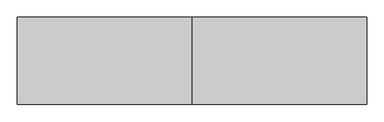
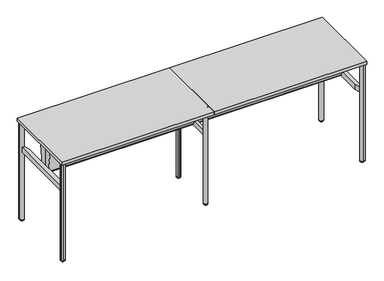
"""IFC4 building model written with IfcOpenShell, lengths in millimetres: furniture geometry."""

from ifc_helpers import new_model, si_unit, point, frame, frame_2d, origin, place, context, project, spatial, polyline, circle_curve, ellipse_curve, trimmed, segment, composite_curve, outline, extrude, source, transform, mapped, element, save
from ifc_brep_helpers import plane_surface, cylinder_surface, revolved_surface, advanced_brep


def furniture_d28b47d0(model_context):
    return source(origin(), model_context, "Body", "SolidModel", [
        extrude(outline(composite_curve([segment(polyline([(2897.7708622, -707.7123913), (2891.159378, -632.14286)]), True, "CONTINUOUS"), segment(trimmed(circle_curve(frame_2d((2910.1368868, -630.4825414)), 19.05), [point((2891.159378, -632.14286))], [point((2911.7972055, -611.5050325))], False, "CARTESIAN"), True, "CONTINUOUS"), segment(polyline([(2911.7972055, -611.5050325), (2989.4875241, -618.3020618)]), True, "CONTINUOUS"), segment(trimmed(circle_curve(frame_2d((2987.59591, -639.9232867)), 21.7038146), [point((2989.4875241, -618.3020618))], [point((3002.9428234, -624.5763711))], False, "CARTESIAN"), True, "CONTINUOUS"), segment(polyline([(3002.9428234, -624.5763711), (3018.5702956, -640.2038411)]), True, "CONTINUOUS"), segment(trimmed(circle_curve(frame_2d((2997.6053664, -661.1687734)), 29.6488894), [point((3018.5702956, -640.2038411))], [point((3027.1414328, -658.5847025))], False, "CARTESIAN"), True, "CONTINUOUS"), segment(polyline([(3027.1414328, -658.5847025), (3033.5888037, -732.278493), (3033.5888037, -750.4995351)]), True, "CONTINUOUS"), segment(trimmed(circle_curve(frame_2d((3030.1538794, -750.4995351)), 3.4349243), [point((3033.5888037, -750.4995351))], [point((3030.1538794, -753.9344594))], False, "CARTESIAN"), True, "CONTINUOUS"), segment(polyline([(3030.1538794, -753.9344594), (3011.9328449, -753.9344594), (2939.0008773, -747.5537388)]), True, "CONTINUOUS"), segment(trimmed(circle_curve(frame_2d((2941.7680722, -715.9245572)), 31.75), [point((2939.0008773, -747.5537388))], [point((2919.3174287, -738.3751943))], False, "CARTESIAN"), True, "CONTINUOUS"), segment(polyline([(2919.3174287, -738.3751943), (2905.7360666, -724.7938283)]), True, "CONTINUOUS"), segment(trimmed(circle_curve(frame_2d((2925.2189041, -705.3109963)), 27.5528892), [point((2905.7360666, -724.7938283))], [point((2897.7708622, -707.7123913))], False, "CARTESIAN"), True, "CONTINUOUS")], self_intersect=False)), frame((0.0, 0.0, 1029.2852114), z_axis=(0.0, 0.0, 1.0), x_axis=(1.0, 0.0, 0.0)), (0.0, 0.0, 1.0), 7.924807),
        extrude(outline(composite_curve([segment(trimmed(circle_curve(frame_2d((2925.2189041, -55.8736689)), 27.5528892), [point((2897.7708622, -53.4722739))], [point((2905.7360666, -36.3908369))], False, "CARTESIAN"), True, "CONTINUOUS"), segment(polyline([(2905.7360666, -36.3908369), (2919.3174287, -22.8094709)]), True, "CONTINUOUS"), segment(trimmed(circle_curve(frame_2d((2941.7680722, -45.260108)), 31.75), [point((2919.3174287, -22.8094709))], [point((2939.0008773, -13.6309264))], False, "CARTESIAN"), True, "CONTINUOUS"), segment(polyline([(2939.0008773, -13.6309264), (3011.9328449, -7.2502058), (3030.1538794, -7.2502058)]), True, "CONTINUOUS"), segment(trimmed(circle_curve(frame_2d((3030.1538794, -10.6851301)), 3.4349243), [point((3030.1538794, -7.2502058))], [point((3033.5888037, -10.6851301))], False, "CARTESIAN"), True, "CONTINUOUS"), segment(polyline([(3033.5888037, -10.6851301), (3033.5888037, -28.9061722), (3027.1414328, -102.5999627)]), True, "CONTINUOUS"), segment(trimmed(circle_curve(frame_2d((2997.6053664, -100.0158919)), 29.6488894), [point((3027.1414328, -102.5999627))], [point((3018.5702956, -120.9808241))], False, "CARTESIAN"), True, "CONTINUOUS"), segment(polyline([(3018.5702956, -120.9808241), (3002.9428234, -136.6082941)]), True, "CONTINUOUS"), segment(trimmed(circle_curve(frame_2d((2987.59591, -121.2613785)), 21.7038146), [point((3002.9428234, -136.6082941))], [point((2989.4875241, -142.8826034))], False, "CARTESIAN"), True, "CONTINUOUS"), segment(polyline([(2989.4875241, -142.8826034), (2911.7972055, -149.6796327)]), True, "CONTINUOUS"), segment(trimmed(circle_curve(frame_2d((2910.1368868, -130.7021238)), 19.05), [point((2911.7972055, -149.6796327))], [point((2891.159378, -129.0418052))], False, "CARTESIAN"), True, "CONTINUOUS"), segment(polyline([(2891.159378, -129.0418052), (2897.7708622, -53.4722739)]), True, "CONTINUOUS")], self_intersect=False)), frame((0.0, 0.0, 1029.2852114), z_axis=(0.0, 0.0, 1.0), x_axis=(1.0, 0.0, 0.0)), (0.0, 0.0, 1.0), 7.924807),
        extrude(outline(composite_curve([segment(trimmed(circle_curve(frame_2d((115.624494, -706.1263553)), 27.5528892), [point((143.0725359, -708.5277503))], [point((135.1073315, -725.6091873))], False, "CARTESIAN"), True, "CONTINUOUS"), segment(polyline([(135.1073315, -725.6091873), (121.5259694, -739.1905533)]), True, "CONTINUOUS"), segment(trimmed(circle_curve(frame_2d((99.0753259, -716.7399162)), 31.75), [point((121.5259694, -739.1905533))], [point((101.8425208, -748.3690978))], False, "CARTESIAN"), True, "CONTINUOUS"), segment(polyline([(101.8425208, -748.3690978), (28.9105532, -754.7498184), (10.6895187, -754.7498184)]), True, "CONTINUOUS"), segment(trimmed(circle_curve(frame_2d((10.6895187, -751.3148941)), 3.4349243), [point((10.6895187, -754.7498184))], [point((7.2545944, -751.3148941))], False, "CARTESIAN"), True, "CONTINUOUS"), segment(polyline([(7.2545944, -751.3148941), (7.2545944, -733.093852), (13.7019653, -659.4000615)]), True, "CONTINUOUS"), segment(trimmed(circle_curve(frame_2d((43.2380317, -661.9841324)), 29.6488894), [point((13.7019653, -659.4000615))], [point((22.2731025, -641.0192001))], False, "CARTESIAN"), True, "CONTINUOUS"), segment(polyline([(22.2731025, -641.0192001), (37.9005747, -625.3917301)]), True, "CONTINUOUS"), segment(trimmed(circle_curve(frame_2d((53.2474881, -640.7386457)), 21.7038146), [point((37.9005747, -625.3917301))], [point((51.355874, -619.1174208))], False, "CARTESIAN"), True, "CONTINUOUS"), segment(polyline([(51.355874, -619.1174208), (129.0461926, -612.3203915)]), True, "CONTINUOUS"), segment(trimmed(circle_curve(frame_2d((130.7065113, -631.2979004)), 19.05), [point((129.0461926, -612.3203915))], [point((149.6840201, -632.958219))], False, "CARTESIAN"), True, "CONTINUOUS"), segment(polyline([(149.6840201, -632.958219), (143.0725359, -708.5277503)]), True, "CONTINUOUS")], self_intersect=False)), frame((0.0, 0.0, 1029.2852114), z_axis=(0.0, 0.0, 1.0), x_axis=(1.0, 0.0, 0.0)), (0.0, 0.0, 1.0), 7.924807),
        extrude(outline(composite_curve([segment(trimmed(circle_curve(frame_2d((1563.0721112, -209.6115174)), 27.5528892), [point((1584.1788505, -191.9008635))], [point((1590.6250004, -209.6115135))], False, "CARTESIAN"), True, "CONTINUOUS"), segment(polyline([(1590.6250004, -209.6115135), (1590.6250031, -228.8184627)]), True, "CONTINUOUS"), segment(trimmed(circle_curve(frame_2d((1558.8750031, -228.8184672)), 31.75), [point((1590.6250031, -228.8184627))], [point((1583.1969142, -249.2269738))], False, "CARTESIAN"), True, "CONTINUOUS"), segment(polyline([(1583.1969142, -249.2269738), (1536.1380761, -305.3095134), (1523.2538591, -318.1937304)]), True, "CONTINUOUS"), segment(trimmed(circle_curve(frame_2d((1520.8250008, -315.7648722)), 3.4349243), [point((1523.2538591, -318.1937304))], [point((1518.3961425, -318.1937304))], False, "CARTESIAN"), True, "CONTINUOUS"), segment(polyline([(1518.3961425, -318.1937304), (1505.5119202, -305.3095081), (1457.9615208, -248.6411494)]), True, "CONTINUOUS"), segment(trimmed(circle_curve(frame_2d((1480.6738877, -229.5832105)), 29.6488894), [point((1457.9615208, -248.6411494))], [point((1451.0249983, -229.5832084))], False, "CARTESIAN"), True, "CONTINUOUS"), segment(polyline([(1451.0249983, -229.5832084), (1451.0249998, -207.4826268)]), True, "CONTINUOUS"), segment(trimmed(circle_curve(frame_2d((1472.7288144, -207.4826284)), 21.7038146), [point((1451.0249998, -207.4826268))], [point((1456.1027266, -193.5316868))], False, "CARTESIAN"), True, "CONTINUOUS"), segment(polyline([(1456.1027266, -193.5316868), (1506.2318522, -133.7901102)]), True, "CONTINUOUS"), segment(trimmed(circle_curve(frame_2d((1520.825, -146.0352128)), 19.05), [point((1506.2318522, -133.7901102))], [point((1535.4181478, -133.7901102))], False, "CARTESIAN"), True, "CONTINUOUS"), segment(polyline([(1535.4181478, -133.7901102), (1584.1788505, -191.9008635)]), True, "CONTINUOUS")], self_intersect=False)), frame((0.0, 0.0, 1029.2852114), z_axis=(0.0, 0.0, 1.0), x_axis=(1.0, 0.0, 0.0)), (0.0, 0.0, 1.0), 7.924807),
        extrude(outline(composite_curve([segment(polyline([(143.0725359, -53.4722739), (149.6840201, -129.0418052)]), True, "CONTINUOUS"), segment(trimmed(circle_curve(frame_2d((130.7065113, -130.7021238)), 19.05), [point((149.6840201, -129.0418052))], [point((129.0461926, -149.6796327))], False, "CARTESIAN"), True, "CONTINUOUS"), segment(polyline([(129.0461926, -149.6796327), (51.355874, -142.8826034)]), True, "CONTINUOUS"), segment(trimmed(circle_curve(frame_2d((53.2474881, -121.2613785)), 21.7038146), [point((51.355874, -142.8826034))], [point((37.9005747, -136.6082941))], False, "CARTESIAN"), True, "CONTINUOUS"), segment(polyline([(37.9005747, -136.6082941), (22.2731025, -120.9808241)]), True, "CONTINUOUS"), segment(trimmed(circle_curve(frame_2d((43.2380317, -100.0158919)), 29.6488894), [point((22.2731025, -120.9808241))], [point((13.7019653, -102.5999627))], False, "CARTESIAN"), True, "CONTINUOUS"), segment(polyline([(13.7019653, -102.5999627), (7.2545944, -28.9061722), (7.2545944, -10.6851301)]), True, "CONTINUOUS"), segment(trimmed(circle_curve(frame_2d((10.6895187, -10.6851301)), 3.4349243), [point((7.2545944, -10.6851301))], [point((10.6895187, -7.2502058))], False, "CARTESIAN"), True, "CONTINUOUS"), segment(polyline([(10.6895187, -7.2502058), (28.9105532, -7.2502058), (101.8425208, -13.6309264)]), True, "CONTINUOUS"), segment(trimmed(circle_curve(frame_2d((99.0753259, -45.260108)), 31.75), [point((101.8425208, -13.6309264))], [point((121.5259694, -22.8094709))], False, "CARTESIAN"), True, "CONTINUOUS"), segment(polyline([(121.5259694, -22.8094709), (135.1073315, -36.3908369)]), True, "CONTINUOUS"), segment(trimmed(circle_curve(frame_2d((115.624494, -55.8736689)), 27.5528892), [point((135.1073315, -36.3908369))], [point((143.0725359, -53.4722739))], False, "CARTESIAN"), True, "CONTINUOUS")], self_intersect=False)), frame((0.0, 0.0, 1029.2852114), z_axis=(0.0, 0.0, 1.0), x_axis=(1.0, 0.0, 0.0)), (0.0, 0.0, 1.0), 7.924807),
        extrude(outline(composite_curve([segment(polyline([(-432.2134919, 747.8937563), (-469.4420253, 1037.2100183), (-385.6970612, 1037.2100183), (-385.6970612, 779.1940903)]), True, "CONTINUOUS"), segment(trimmed(circle_curve(frame_2d((-389.0621263, 779.1940903)), 3.3650652), [point((-385.6970612, 779.1940903))], [point((-389.0621263, 775.8290251))], False, "CARTESIAN"), True, "CONTINUOUS"), segment(polyline([(-389.0621263, 775.8290251), (-405.6349521, 775.8290251)]), True, "CONTINUOUS"), segment(trimmed(circle_curve(frame_2d((-405.6349521, 772.303886)), 3.5251391), [point((-405.6349521, 775.8290251))], [point((-409.1600912, 772.303886))], True, "CARTESIAN"), True, "CONTINUOUS"), segment(polyline([(-409.1600912, 772.303886), (-409.1600912, 730.2790074), (-395.6470716, 730.2790074), (-395.6470716, 754.1790021), (-394.1470904, 754.1790021), (-394.1470904, 728.77899), (-410.4814818, 728.77899)]), True, "CONTINUOUS"), segment(trimmed(circle_curve(frame_2d((-410.4814818, 750.6901801)), 21.9111901), [point((-410.4814818, 728.77899))], [point((-432.2134919, 747.8937563))], False, "CARTESIAN"), True, "CONTINUOUS")], self_intersect=False)), frame((59.0513238, 0.0, 0.0), z_axis=(1.0, 0.0, 0.0), x_axis=(0.0, 1.0, 0.0)), (0.0, 0.0, 1.0), 2923.5474357),
        extrude(outline(composite_curve([segment(trimmed(circle_curve(frame_2d((-351.5185182, 750.6901801)), 21.9111901), [point((-329.7865081, 747.8937563))], [point((-351.5185182, 728.77899))], False, "CARTESIAN"), True, "CONTINUOUS"), segment(polyline([(-351.5185182, 728.77899), (-367.8529096, 728.77899), (-367.8529096, 754.1790021), (-366.3529284, 754.1790021), (-366.3529284, 730.2790074), (-352.8399088, 730.2790074), (-352.8399088, 772.303886)]), True, "CONTINUOUS"), segment(trimmed(circle_curve(frame_2d((-356.3650479, 772.303886)), 3.5251391), [point((-352.8399088, 772.303886))], [point((-356.3650479, 775.8290251))], True, "CARTESIAN"), True, "CONTINUOUS"), segment(polyline([(-356.3650479, 775.8290251), (-372.9378737, 775.8290251)]), True, "CONTINUOUS"), segment(trimmed(circle_curve(frame_2d((-372.9378737, 779.1940903)), 3.3650652), [point((-372.9378737, 775.8290251))], [point((-376.3029388, 779.1940903))], False, "CARTESIAN"), True, "CONTINUOUS"), segment(polyline([(-376.3029388, 779.1940903), (-376.3029388, 1037.2100183), (-292.5579747, 1037.2100183), (-329.7865081, 747.8937563)]), True, "CONTINUOUS")], self_intersect=False)), frame((59.0513238, 0.0, 0.0), z_axis=(1.0, 0.0, 0.0), x_axis=(0.0, 1.0, 0.0)), (0.0, 0.0, 1.0), 2923.5474357),
        advanced_brep(
        [(3013.6498037, -714.0564594, 15.24), (3013.6498037, -753.9344594, 15.24), (3013.6498037, -733.9954594, 15.24), (3013.6498037, -714.0564594, 12.7382497), (3013.6498037, -753.9344594, 12.7382497), (3013.6498037, -719.989777, 7.8701761), (3013.6498037, -748.0011418, 7.8701761), (3013.6498037, -719.989777, 7.0593297), (3013.6498037, -748.0011418, 7.0593297), (3013.6498037, -721.83132, 2.623811), (3013.6498037, -746.1595987, 2.623811), (3013.6498037, -724.2090351, 0.2460959), (3013.6498037, -743.7818837, 0.2460959), (3013.6498037, -725.1274776, 0.0), (3013.6498037, -742.8634411, 0.0), (3013.6498037, -733.9954594, 0.0)],
        [
            (0, 1, circle_curve(frame((3013.6498037, -733.9954594, 15.24), z_axis=(0.0, 0.0, 1.0), x_axis=(0.0, -1.0, 0.0)), 19.939)),
            (1, 2),
            (2, 0),
            (1, 0, circle_curve(frame((3013.6498037, -733.9954594, 15.24), z_axis=(0.0, 0.0, 1.0), x_axis=(0.0, -1.0, 0.0)), 19.939)),
            (3, 4, circle_curve(frame((3013.6498037, -733.9954594, 12.7382497), z_axis=(0.0, 0.0, 1.0), x_axis=(0.0, -1.0, 0.0)), 19.939)),
            (4, 1),
            (0, 3),
            (4, 3, circle_curve(frame((3013.6498037, -733.9954594, 12.7382497), z_axis=(0.0, 0.0, 1.0), x_axis=(0.0, -1.0, 0.0)), 19.939)),
            (5, 6, circle_curve(frame((3013.6498037, -733.9954594, 7.8701761), z_axis=(0.0, 0.0, 1.0), x_axis=(0.0, -1.0, 0.0)), 14.0056824)),
            (6, 4, circle_curve(frame((3013.6498037, -748.970761, 12.7382497), z_axis=(-1.0, 0.0, 0.0), x_axis=(0.0, -1.0, 0.0)), 4.9636984)),
            (3, 5, circle_curve(frame((3013.6498037, -719.0201577, 12.7382497), z_axis=(-1.0, 0.0, 0.0), x_axis=(0.0, 1.0, 0.0)), 4.9636984)),
            (6, 5, circle_curve(frame((3013.6498037, -733.9954594, 7.8701761), z_axis=(0.0, 0.0, 1.0), x_axis=(0.0, -1.0, 0.0)), 14.0056824)),
            (7, 8, circle_curve(frame((3013.6498037, -733.9954594, 7.0593297), z_axis=(0.0, 0.0, 1.0), x_axis=(0.0, -1.0, 0.0)), 14.0056824)),
            (8, 6),
            (5, 7),
            (8, 7, circle_curve(frame((3013.6498037, -733.9954594, 7.0593297), z_axis=(0.0, 0.0, 1.0), x_axis=(0.0, -1.0, 0.0)), 14.0056824)),
            (9, 10, circle_curve(frame((3013.6498037, -733.9954594, 2.623811), z_axis=(0.0, 0.0, 1.0), x_axis=(0.0, -1.0, 0.0)), 12.1641393)),
            (10, 8),
            (7, 9),
            (10, 9, circle_curve(frame((3013.6498037, -733.9954594, 2.623811), z_axis=(0.0, 0.0, 1.0), x_axis=(0.0, -1.0, 0.0)), 12.1641393)),
            (11, 12, circle_curve(frame((3013.6498037, -733.9954594, 0.2460959), z_axis=(0.0, 0.0, 1.0), x_axis=(0.0, -1.0, 0.0)), 9.7864243)),
            (12, 10),
            (9, 11),
            (12, 11, circle_curve(frame((3013.6498037, -733.9954594, 0.2460959), z_axis=(0.0, 0.0, 1.0), x_axis=(0.0, -1.0, 0.0)), 9.7864243)),
            (13, 14, circle_curve(frame((3013.6498037, -733.9954594, 0.0), z_axis=(0.0, 0.0, 1.0), x_axis=(0.0, -1.0, 0.0)), 8.8679818)),
            (14, 12),
            (11, 13),
            (14, 13, circle_curve(frame((3013.6498037, -733.9954594, 0.0), z_axis=(0.0, 0.0, 1.0), x_axis=(0.0, -1.0, 0.0)), 8.8679818)),
            (15, 14),
            (13, 15),
        ],
        [
            plane_surface(frame((3013.6498037, -733.9954594, 15.24), z_axis=(0.0, 0.0, 1.0), x_axis=(0.0, -1.0, 0.0))),
            cylinder_surface(frame((3013.6498037, -733.9954594, 53.34), z_axis=(0.0, 0.0, -1.0), x_axis=(0.0, -1.0, 0.0)), 19.939),
            revolved_surface(trimmed(ellipse_curve(frame((3013.6498037, -748.970761, 12.7382497), z_axis=(1.0, 0.0, 0.0), x_axis=(0.0, -1.0, 0.0)), 4.9636984, 4.9636984), [point((3013.6498037, -753.9344594, 12.7382497))], [point((3013.6498037, -748.0011418, 7.8701761))], True, "CARTESIAN"), (3013.6498037, -733.9954594, 53.34), (0.0, 0.0, -1.0)),
            cylinder_surface(frame((3013.6498037, -733.9954594, 53.34), z_axis=(0.0, 0.0, -1.0), x_axis=(0.0, -1.0, 0.0)), 14.0056824),
            revolved_surface(polyline([(3013.6498037, -748.0011418, 7.0593297), (3013.6498037, -746.1595987, 2.623811)]), (3013.6498037, -733.9954594, 53.34), (0.0, 0.0, -1.0)),
            revolved_surface(polyline([(3013.6498037, -746.1595987, 2.623811), (3013.6498037, -743.7818837, 0.2460959)]), (3013.6498037, -733.9954594, 53.34), (0.0, 0.0, -1.0)),
            revolved_surface(polyline([(3013.6498037, -743.7818837, 0.2460959), (3013.6498037, -742.8634411, 0.0)]), (3013.6498037, -733.9954594, 53.34), (0.0, 0.0, -1.0)),
            plane_surface(frame((3013.6498037, -733.9954594, 0.0), z_axis=(0.0, 0.0, -1.0), x_axis=(0.0, -1.0, 0.0))),
        ],
        [
            (0, [[1, 2, 3]]),
            (0, [[4, -3, -2]]),
            (1, [[5, 6, -1, 7]]),
            (1, [[8, -7, -4, -6]]),
            (2, [[9, 10, -5, 11]]),
            (2, [[12, -11, -8, -10]]),
            (3, [[13, 14, -9, 15]]),
            (3, [[16, -15, -12, -14]]),
            (4, [[17, 18, -13, 19]]),
            (4, [[20, -19, -16, -18]]),
            (5, [[21, 22, -17, 23]]),
            (5, [[24, -23, -20, -22]]),
            (6, [[25, 26, -21, 27]]),
            (6, [[28, -27, -24, -26]]),
            (7, [[29, -25, 30]]),
            (7, [[-30, -28, -29]]),
        ],
    ),
        advanced_brep(
        [(3033.6532523, -27.9300781, 15.24), (2993.6463551, -27.9300781, 15.24), (3013.6498037, -27.9300781, 15.24), (3033.6532523, -27.9300781, 12.413529), (2993.6463551, -27.9300781, 12.413529), (3029.1631242, -27.9300781, 7.9234009), (2998.1364831, -27.9300781, 7.9234009), (3027.6996489, -27.9300781, 7.9234009), (2999.5999584, -27.9300781, 7.9234009), (3027.6996489, -27.9300781, 7.0593297), (2999.5999584, -27.9300781, 7.0593297), (3025.8417297, -27.9300781, 2.623811), (3001.4578777, -27.9300781, 2.623811), (3023.4640146, -27.9300781, 0.2460959), (3003.8355927, -27.9300781, 0.2460959), (3022.5455721, -27.9300781, 0.0), (3004.7540352, -27.9300781, 0.0), (3013.6498037, -27.9300781, 0.0)],
        [
            (0, 1, circle_curve(frame((3013.6498037, -27.9300781, 15.24), z_axis=(0.0, 0.0, 1.0), x_axis=(-1.0, 0.0, 0.0)), 20.0034486)),
            (1, 2),
            (2, 0),
            (1, 0, circle_curve(frame((3013.6498037, -27.9300781, 15.24), z_axis=(0.0, 0.0, 1.0), x_axis=(-1.0, 0.0, 0.0)), 20.0034486)),
            (3, 4, circle_curve(frame((3013.6498037, -27.9300781, 12.413529), z_axis=(0.0, 0.0, 1.0), x_axis=(-1.0, 0.0, 0.0)), 20.0034486)),
            (4, 1),
            (0, 3),
            (4, 3, circle_curve(frame((3013.6498037, -27.9300781, 12.413529), z_axis=(0.0, 0.0, 1.0), x_axis=(-1.0, 0.0, 0.0)), 20.0034486)),
            (5, 6, circle_curve(frame((3013.6498037, -27.9300781, 7.9234009), z_axis=(0.0, 0.0, 1.0), x_axis=(-1.0, 0.0, 0.0)), 15.5133205)),
            (6, 4, circle_curve(frame((2998.1364831, -27.9300781, 12.413529), z_axis=(0.0, 1.0, 0.0), x_axis=(1.0, 0.0, 0.0)), 4.4901281)),
            (3, 5, circle_curve(frame((3029.1631242, -27.9300781, 12.413529), z_axis=(0.0, 1.0, 0.0), x_axis=(-1.0, 0.0, 0.0)), 4.4901281)),
            (6, 5, circle_curve(frame((3013.6498037, -27.9300781, 7.9234009), z_axis=(0.0, 0.0, 1.0), x_axis=(-1.0, 0.0, 0.0)), 15.5133205)),
            (7, 8, circle_curve(frame((3013.6498037, -27.9300781, 7.9234009), z_axis=(0.0, 0.0, 1.0), x_axis=(-1.0, 0.0, 0.0)), 14.0498452)),
            (8, 6),
            (5, 7),
            (8, 7, circle_curve(frame((3013.6498037, -27.9300781, 7.9234009), z_axis=(0.0, 0.0, 1.0), x_axis=(-1.0, 0.0, 0.0)), 14.0498452)),
            (9, 10, circle_curve(frame((3013.6498037, -27.9300781, 7.0593297), z_axis=(0.0, 0.0, 1.0), x_axis=(-1.0, 0.0, 0.0)), 14.0498452)),
            (10, 8),
            (7, 9),
            (10, 9, circle_curve(frame((3013.6498037, -27.9300781, 7.0593297), z_axis=(0.0, 0.0, 1.0), x_axis=(-1.0, 0.0, 0.0)), 14.0498452)),
            (11, 12, circle_curve(frame((3013.6498037, -27.9300781, 2.623811), z_axis=(0.0, 0.0, 1.0), x_axis=(-1.0, 0.0, 0.0)), 12.191926)),
            (12, 10),
            (9, 11),
            (12, 11, circle_curve(frame((3013.6498037, -27.9300781, 2.623811), z_axis=(0.0, 0.0, 1.0), x_axis=(-1.0, 0.0, 0.0)), 12.191926)),
            (13, 14, circle_curve(frame((3013.6498037, -27.9300781, 0.2460959), z_axis=(0.0, 0.0, 1.0), x_axis=(-1.0, 0.0, 0.0)), 9.814211)),
            (14, 12),
            (11, 13),
            (14, 13, circle_curve(frame((3013.6498037, -27.9300781, 0.2460959), z_axis=(0.0, 0.0, 1.0), x_axis=(-1.0, 0.0, 0.0)), 9.814211)),
            (15, 16, circle_curve(frame((3013.6498037, -27.9300781, 0.0), z_axis=(0.0, 0.0, 1.0), x_axis=(-1.0, 0.0, 0.0)), 8.8957684)),
            (16, 14),
            (13, 15),
            (16, 15, circle_curve(frame((3013.6498037, -27.9300781, 0.0), z_axis=(0.0, 0.0, 1.0), x_axis=(-1.0, 0.0, 0.0)), 8.8957684)),
            (17, 16),
            (15, 17),
        ],
        [
            plane_surface(frame((3013.6498037, -27.9300781, 15.24), z_axis=(0.0, 0.0, 1.0), x_axis=(-1.0, 0.0, 0.0))),
            cylinder_surface(frame((3013.6498037, -27.9300781, 56.1592175), z_axis=(0.0, 0.0, -1.0), x_axis=(-1.0, 0.0, 0.0)), 20.0034486),
            revolved_surface(trimmed(ellipse_curve(frame((2998.1364831, -27.9300781, 12.413529), z_axis=(0.0, -1.0, 0.0), x_axis=(1.0, 0.0, 0.0)), 4.4901281, 4.4901281), [point((2993.6463551, -27.9300781, 12.413529))], [point((2998.1364831, -27.9300781, 7.9234009))], True, "CARTESIAN"), (3013.6498037, -27.9300781, 56.1592175), (0.0, 0.0, -1.0)),
            plane_surface(frame((3013.6498037, -27.9300781, 7.9234009), z_axis=(0.0, 0.0, -1.0), x_axis=(-1.0, 0.0, 0.0))),
            cylinder_surface(frame((3013.6498037, -27.9300781, 56.1592175), z_axis=(0.0, 0.0, -1.0), x_axis=(-1.0, 0.0, 0.0)), 14.0498452),
            revolved_surface(polyline([(2999.5999584, -27.9300781, 7.0593297), (3001.4578777, -27.9300781, 2.623811)]), (3013.6498037, -27.9300781, 56.1592175), (0.0, 0.0, -1.0)),
            revolved_surface(polyline([(3001.4578777, -27.9300781, 2.623811), (3003.8355927, -27.9300781, 0.2460959)]), (3013.6498037, -27.9300781, 56.1592175), (0.0, 0.0, -1.0)),
            revolved_surface(polyline([(3003.8355927, -27.9300781, 0.2460959), (3004.7540352, -27.9300781, 0.0)]), (3013.6498037, -27.9300781, 56.1592175), (0.0, 0.0, -1.0)),
            plane_surface(frame((3013.6498037, -27.9300781, 0.0), z_axis=(0.0, 0.0, -1.0), x_axis=(-1.0, 0.0, 0.0))),
        ],
        [
            (0, [[1, 2, 3]]),
            (0, [[4, -3, -2]]),
            (1, [[5, 6, -1, 7]]),
            (1, [[8, -7, -4, -6]]),
            (2, [[9, 10, -5, 11]]),
            (2, [[12, -11, -8, -10]]),
            (3, [[13, 14, -9, 15]]),
            (3, [[16, -15, -12, -14]]),
            (4, [[17, 18, -13, 19]]),
            (4, [[20, -19, -16, -18]]),
            (5, [[21, 22, -17, 23]]),
            (5, [[24, -23, -20, -22]]),
            (6, [[25, 26, -21, 27]]),
            (6, [[28, -27, -24, -26]]),
            (7, [[29, 30, -25, 31]]),
            (7, [[32, -31, -28, -30]]),
            (8, [[33, -29, 34]]),
            (8, [[-34, -32, -33]]),
        ],
    ),
        extrude(outline(polyline([(1508.3408516, -146.0352128), (1533.7409, -146.0352128), (1533.7409, -615.9648008), (1508.3408516, -615.9648008), (1508.3408516, -146.0352128)])), frame((0.0, 0.0, 732.4100183), z_axis=(0.0, 0.0, 1.0), x_axis=(1.0, 0.0, 0.0)), (0.0, 0.0, 1.0), 50.8),
        extrude(outline(polyline([(3020.6928487, -47.9435406), (3020.6928487, -714.0564594), (2995.0915101, -714.0564594), (2982.5987595, -658.5971286), (2982.5987595, -103.4028714), (2995.0915101, -47.9435406), (3020.6928487, -47.9435406)])), frame((0.0, 0.0, 732.4100183), z_axis=(0.0, 0.0, 1.0), x_axis=(1.0, 0.0, 0.0)), (0.0, 0.0, 1.0), 50.8),
        extrude(outline(composite_curve([segment(trimmed(circle_curve(frame_2d((3013.6498037, -733.9954594)), 19.939), [point((3013.6498037, -753.9344594))], [point((3033.5888037, -733.9954594))], False, "CARTESIAN"), True, "CONTINUOUS"), segment(polyline([(3033.5888037, -733.9954594), (3033.5888037, -753.9344594), (3013.6498037, -753.9344594)]), True, "CONTINUOUS")], self_intersect=False)), frame((0.0, 0.0, 15.24), z_axis=(0.0, 0.0, 1.0), x_axis=(1.0, 0.0, 0.0)), (0.0, 0.0, 1.0), 1021.9700183),
        extrude(outline(composite_curve([segment(polyline([(3013.6498037, -8.0612031), (3030.7832949, -8.0612031)]), True, "CONTINUOUS"), segment(trimmed(circle_curve(frame_2d((3030.7832949, -10.8667119)), 2.8055087), [point((3030.7832949, -8.0612031))], [point((3033.5888037, -10.8667119))], False, "CARTESIAN"), True, "CONTINUOUS"), segment(polyline([(3033.5888037, -10.8667119), (3033.5888037, -28.0002031)]), True, "CONTINUOUS"), segment(trimmed(circle_curve(frame_2d((3013.6498037, -28.0002031)), 19.939), [point((3033.5888037, -28.0002031))], [point((3013.6498037, -8.0612031))], False, "CARTESIAN"), True, "CONTINUOUS")], self_intersect=False)), frame((0.0, 0.0, 15.24), z_axis=(0.0, 0.0, 1.0), x_axis=(1.0, 0.0, 0.0)), (0.0, 0.0, 1.0), 1021.9700183),
        extrude(outline(polyline([(3041.65, -762.0), (1520.825, -762.0), (1520.825, 0.0), (3041.65, 0.0), (3041.65, -762.0)])), frame((0.0, 0.0, 1037.2100183), z_axis=(0.0, 0.0, 1.0), x_axis=(1.0, 0.0, 0.0)), (0.0, 0.0, 1.0), 29.5899817),
        extrude(outline(polyline([(20.9540966, -47.9435406), (46.6393008, -47.9435406), (59.0513238, -103.4026871), (59.0513238, -658.5973129), (46.6393008, -714.0564594), (20.9540966, -714.0564594), (20.9540966, -47.9435406)])), frame((0.0, 0.0, 732.4100183), z_axis=(0.0, 0.0, 1.0), x_axis=(1.0, 0.0, 0.0)), (0.0, 0.0, 1.0), 50.8),
        advanced_brep(
        [(1520.825, -596.34636, 12.8144714), (1520.825, -636.2976838, 12.8144714), (1520.825, -631.3533885, 7.8701761), (1520.825, -601.2906553, 7.8701761), (1520.825, -630.3277043, 7.8701761), (1520.825, -602.3163395, 7.8701761), (1520.825, -630.3277043, 7.0593297), (1520.825, -602.3163395, 7.0593297), (1520.825, -628.4861612, 2.623811), (1520.825, -604.1578825, 2.623811), (1520.825, -626.1084462, 0.2460959), (1520.825, -606.5355976, 0.2460959), (1520.825, -625.1900036, 0.0), (1520.825, -607.4540401, 0.0), (1520.825, -616.3220219, 0.0), (1520.825, -616.3220219, 15.24), (1520.825, -636.2976838, 15.24), (1520.825, -596.34636, 15.24)],
        [
            (0, 1, circle_curve(frame((1520.825, -616.3220219, 12.8144714), z_axis=(0.0, 0.0, -1.0), x_axis=(0.0, -1.0, 0.0)), 19.9756619)),
            (1, 2, circle_curve(frame((1520.825, -631.3533885, 12.8144714), z_axis=(1.0, 0.0, 0.0), x_axis=(0.0, 1.0, 0.0)), 4.9442953)),
            (2, 3, circle_curve(frame((1520.825, -616.3220219, 7.8701761), z_axis=(0.0, 0.0, 1.0), x_axis=(0.0, -1.0, 0.0)), 15.0313666)),
            (3, 0, circle_curve(frame((1520.825, -601.2906553, 12.8144714), z_axis=(1.0, 0.0, 0.0), x_axis=(0.0, -1.0, 0.0)), 4.9442953)),
            (1, 0, circle_curve(frame((1520.825, -616.3220219, 12.8144714), z_axis=(0.0, 0.0, -1.0), x_axis=(0.0, -1.0, 0.0)), 19.9756619)),
            (3, 2, circle_curve(frame((1520.825, -616.3220219, 7.8701761), z_axis=(0.0, 0.0, 1.0), x_axis=(0.0, -1.0, 0.0)), 15.0313666)),
            (2, 4),
            (4, 5, circle_curve(frame((1520.825, -616.3220219, 7.8701761), z_axis=(0.0, 0.0, 1.0), x_axis=(0.0, -1.0, 0.0)), 14.0056824)),
            (5, 3),
            (5, 4, circle_curve(frame((1520.825, -616.3220219, 7.8701761), z_axis=(0.0, 0.0, 1.0), x_axis=(0.0, -1.0, 0.0)), 14.0056824)),
            (4, 6),
            (6, 7, circle_curve(frame((1520.825, -616.3220219, 7.0593297), z_axis=(0.0, 0.0, 1.0), x_axis=(0.0, -1.0, 0.0)), 14.0056824)),
            (7, 5),
            (7, 6, circle_curve(frame((1520.825, -616.3220219, 7.0593297), z_axis=(0.0, 0.0, 1.0), x_axis=(0.0, -1.0, 0.0)), 14.0056824)),
            (6, 8),
            (8, 9, circle_curve(frame((1520.825, -616.3220219, 2.623811), z_axis=(0.0, 0.0, 1.0), x_axis=(0.0, -1.0, 0.0)), 12.1641393)),
            (9, 7),
            (9, 8, circle_curve(frame((1520.825, -616.3220219, 2.623811), z_axis=(0.0, 0.0, 1.0), x_axis=(0.0, -1.0, 0.0)), 12.1641393)),
            (8, 10),
            (10, 11, circle_curve(frame((1520.825, -616.3220219, 0.2460959), z_axis=(0.0, 0.0, 1.0), x_axis=(0.0, -1.0, 0.0)), 9.7864243)),
            (11, 9),
            (11, 10, circle_curve(frame((1520.825, -616.3220219, 0.2460959), z_axis=(0.0, 0.0, 1.0), x_axis=(0.0, -1.0, 0.0)), 9.7864243)),
            (10, 12),
            (12, 13, circle_curve(frame((1520.825, -616.3220219, 0.0), z_axis=(0.0, 0.0, 1.0), x_axis=(0.0, -1.0, 0.0)), 8.8679818)),
            (13, 11),
            (13, 12, circle_curve(frame((1520.825, -616.3220219, 0.0), z_axis=(0.0, 0.0, 1.0), x_axis=(0.0, -1.0, 0.0)), 8.8679818)),
            (12, 14),
            (14, 13),
            (15, 16),
            (16, 17, circle_curve(frame((1520.825, -616.3220219, 15.24), z_axis=(0.0, 0.0, 1.0), x_axis=(0.0, -1.0, 0.0)), 19.9756619)),
            (17, 15),
            (17, 16, circle_curve(frame((1520.825, -616.3220219, 15.24), z_axis=(0.0, 0.0, 1.0), x_axis=(0.0, -1.0, 0.0)), 19.9756619)),
            (16, 1),
            (0, 17),
        ],
        [
            revolved_surface(trimmed(ellipse_curve(frame((1520.825, -631.3533885, 12.8144714), z_axis=(-1.0, 0.0, 0.0), x_axis=(0.0, 1.0, 0.0)), 4.9442953, 4.9442953), [point((1520.825, -631.3533885, 7.8701761))], [point((1520.825, -636.2976838, 12.8144714))], True, "CARTESIAN"), (1520.825, -616.3220219, 40.64), (0.0, 0.0, 1.0)),
            plane_surface(frame((1520.825, -616.3220219, 7.8701761), z_axis=(0.0, 0.0, -1.0), x_axis=(0.0, -1.0, 0.0))),
            cylinder_surface(frame((1520.825, -616.3220219, 40.64), z_axis=(0.0, 0.0, 1.0), x_axis=(0.0, -1.0, 0.0)), 14.0056824),
            revolved_surface(polyline([(1520.825, -628.4861612, 2.623811), (1520.825, -630.3277043, 7.0593297)]), (1520.825, -616.3220219, 40.64), (0.0, 0.0, 1.0)),
            revolved_surface(polyline([(1520.825, -626.1084462, 0.2460959), (1520.825, -628.4861612, 2.623811)]), (1520.825, -616.3220219, 40.64), (0.0, 0.0, 1.0)),
            revolved_surface(polyline([(1520.825, -625.1900036, 0.0), (1520.825, -626.1084462, 0.2460959)]), (1520.825, -616.3220219, 40.64), (0.0, 0.0, 1.0)),
            plane_surface(frame((1520.825, -616.3220219, 0.0), z_axis=(0.0, 0.0, -1.0), x_axis=(0.0, -1.0, 0.0))),
            plane_surface(frame((1520.825, -616.3220219, 15.24), z_axis=(0.0, 0.0, 1.0), x_axis=(0.0, -1.0, 0.0))),
            cylinder_surface(frame((1520.825, -616.3220219, 40.64), z_axis=(0.0, 0.0, 1.0), x_axis=(0.0, -1.0, 0.0)), 19.9756619),
        ],
        [
            (0, [[1, 2, 3, 4]]),
            (0, [[5, -4, 6, -2]]),
            (1, [[-3, 7, 8, 9]]),
            (1, [[-6, -9, 10, -7]]),
            (2, [[-8, 11, 12, 13]]),
            (2, [[-10, -13, 14, -11]]),
            (3, [[-12, 15, 16, 17]]),
            (3, [[-14, -17, 18, -15]]),
            (4, [[-16, 19, 20, 21]]),
            (4, [[-18, -21, 22, -19]]),
            (5, [[-20, 23, 24, 25]]),
            (5, [[-22, -25, 26, -23]]),
            (6, [[-24, 27, 28]]),
            (6, [[-26, -28, -27]]),
            (7, [[29, 30, 31]]),
            (7, [[-31, 32, -29]]),
            (8, [[-30, 33, -1, 34]]),
            (8, [[-32, -34, -5, -33]]),
        ],
    ),
        advanced_brep(
        [(27.9796875, -718.9640928, 7.8701761), (27.9796875, -749.026826, 7.8701761), (27.9796875, -753.9711213, 12.8144714), (27.9796875, -714.0197975, 12.8144714), (27.9796875, -719.989777, 7.8701761), (27.9796875, -748.0011418, 7.8701761), (27.9796875, -719.989777, 7.0593297), (27.9796875, -748.0011418, 7.0593297), (27.9796875, -721.83132, 2.623811), (27.9796875, -746.1595987, 2.623811), (27.9796875, -724.2090351, 0.2460959), (27.9796875, -743.7818837, 0.2460959), (27.9796875, -725.1274776, 0.0), (27.9796875, -742.8634411, 0.0), (27.9796875, -733.9954594, 0.0), (27.9796875, -714.0197975, 15.24), (27.9796875, -753.9711213, 15.24), (27.9796875, -733.9954594, 15.24)],
        [
            (0, 1, circle_curve(frame((27.9796875, -733.9954594, 7.8701761), z_axis=(0.0, 0.0, 1.0), x_axis=(0.0, -1.0, 0.0)), 15.0313666)),
            (1, 2, circle_curve(frame((27.9796875, -749.026826, 12.8144714), z_axis=(-1.0, 0.0, 0.0), x_axis=(0.0, 1.0, 0.0)), 4.9442953)),
            (2, 3, circle_curve(frame((27.9796875, -733.9954594, 12.8144714), z_axis=(0.0, 0.0, -1.0), x_axis=(0.0, -1.0, 0.0)), 19.9756619)),
            (3, 0, circle_curve(frame((27.9796875, -718.9640928, 12.8144714), z_axis=(-1.0, 0.0, 0.0), x_axis=(0.0, -1.0, 0.0)), 4.9442953)),
            (1, 0, circle_curve(frame((27.9796875, -733.9954594, 7.8701761), z_axis=(0.0, 0.0, 1.0), x_axis=(0.0, -1.0, 0.0)), 15.0313666)),
            (3, 2, circle_curve(frame((27.9796875, -733.9954594, 12.8144714), z_axis=(0.0, 0.0, -1.0), x_axis=(0.0, -1.0, 0.0)), 19.9756619)),
            (4, 5, circle_curve(frame((27.9796875, -733.9954594, 7.8701761), z_axis=(0.0, 0.0, 1.0), x_axis=(0.0, -1.0, 0.0)), 14.0056824)),
            (5, 1),
            (0, 4),
            (5, 4, circle_curve(frame((27.9796875, -733.9954594, 7.8701761), z_axis=(0.0, 0.0, 1.0), x_axis=(0.0, -1.0, 0.0)), 14.0056824)),
            (6, 7, circle_curve(frame((27.9796875, -733.9954594, 7.0593297), z_axis=(0.0, 0.0, 1.0), x_axis=(0.0, -1.0, 0.0)), 14.0056824)),
            (7, 5),
            (4, 6),
            (7, 6, circle_curve(frame((27.9796875, -733.9954594, 7.0593297), z_axis=(0.0, 0.0, 1.0), x_axis=(0.0, -1.0, 0.0)), 14.0056824)),
            (8, 9, circle_curve(frame((27.9796875, -733.9954594, 2.623811), z_axis=(0.0, 0.0, 1.0), x_axis=(0.0, -1.0, 0.0)), 12.1641393)),
            (9, 7),
            (6, 8),
            (9, 8, circle_curve(frame((27.9796875, -733.9954594, 2.623811), z_axis=(0.0, 0.0, 1.0), x_axis=(0.0, -1.0, 0.0)), 12.1641393)),
            (10, 11, circle_curve(frame((27.9796875, -733.9954594, 0.2460959), z_axis=(0.0, 0.0, 1.0), x_axis=(0.0, -1.0, 0.0)), 9.7864243)),
            (11, 9),
            (8, 10),
            (11, 10, circle_curve(frame((27.9796875, -733.9954594, 0.2460959), z_axis=(0.0, 0.0, 1.0), x_axis=(0.0, -1.0, 0.0)), 9.7864243)),
            (12, 13, circle_curve(frame((27.9796875, -733.9954594, 0.0), z_axis=(0.0, 0.0, 1.0), x_axis=(0.0, -1.0, 0.0)), 8.8679818)),
            (13, 11),
            (10, 12),
            (13, 12, circle_curve(frame((27.9796875, -733.9954594, 0.0), z_axis=(0.0, 0.0, 1.0), x_axis=(0.0, -1.0, 0.0)), 8.8679818)),
            (14, 13),
            (12, 14),
            (15, 16, circle_curve(frame((27.9796875, -733.9954594, 15.24), z_axis=(0.0, 0.0, 1.0), x_axis=(0.0, -1.0, 0.0)), 19.9756619)),
            (16, 17),
            (17, 15),
            (16, 15, circle_curve(frame((27.9796875, -733.9954594, 15.24), z_axis=(0.0, 0.0, 1.0), x_axis=(0.0, -1.0, 0.0)), 19.9756619)),
            (2, 16),
            (15, 3),
        ],
        [
            revolved_surface(trimmed(ellipse_curve(frame((27.9796875, -749.026826, 12.8144714), z_axis=(1.0, 0.0, 0.0), x_axis=(0.0, 1.0, 0.0)), 4.9442953, 4.9442953), [point((27.9796875, -753.9711213, 12.8144714))], [point((27.9796875, -749.026826, 7.8701761))], True, "CARTESIAN"), (27.9796875, -733.9954594, 40.64), (0.0, 0.0, -1.0)),
            plane_surface(frame((27.9796875, -733.9954594, 7.8701761), z_axis=(0.0, 0.0, -1.0), x_axis=(0.0, -1.0, 0.0))),
            cylinder_surface(frame((27.9796875, -733.9954594, 40.64), z_axis=(0.0, 0.0, -1.0), x_axis=(0.0, -1.0, 0.0)), 14.0056824),
            revolved_surface(polyline([(27.9796875, -748.0011418, 7.0593297), (27.9796875, -746.1595987, 2.623811)]), (27.9796875, -733.9954594, 40.64), (0.0, 0.0, -1.0)),
            revolved_surface(polyline([(27.9796875, -746.1595987, 2.623811), (27.9796875, -743.7818837, 0.2460959)]), (27.9796875, -733.9954594, 40.64), (0.0, 0.0, -1.0)),
            revolved_surface(polyline([(27.9796875, -743.7818837, 0.2460959), (27.9796875, -742.8634411, 0.0)]), (27.9796875, -733.9954594, 40.64), (0.0, 0.0, -1.0)),
            plane_surface(frame((27.9796875, -733.9954594, 0.0), z_axis=(0.0, 0.0, -1.0), x_axis=(0.0, -1.0, 0.0))),
            plane_surface(frame((27.9796875, -733.9954594, 15.24), z_axis=(0.0, 0.0, 1.0), x_axis=(0.0, -1.0, 0.0))),
            cylinder_surface(frame((27.9796875, -733.9954594, 40.64), z_axis=(0.0, 0.0, -1.0), x_axis=(0.0, -1.0, 0.0)), 19.9756619),
        ],
        [
            (0, [[1, 2, 3, 4]]),
            (0, [[5, -4, 6, -2]]),
            (1, [[7, 8, -1, 9]]),
            (1, [[10, -9, -5, -8]]),
            (2, [[11, 12, -7, 13]]),
            (2, [[14, -13, -10, -12]]),
            (3, [[15, 16, -11, 17]]),
            (3, [[18, -17, -14, -16]]),
            (4, [[19, 20, -15, 21]]),
            (4, [[22, -21, -18, -20]]),
            (5, [[23, 24, -19, 25]]),
            (5, [[26, -25, -22, -24]]),
            (6, [[27, -23, 28]]),
            (6, [[-28, -26, -27]]),
            (7, [[29, 30, 31]]),
            (7, [[32, -31, -30]]),
            (8, [[-3, 33, -29, 34]]),
            (8, [[-6, -34, -32, -33]]),
        ],
    ),
        advanced_brep(
        [(1500.8122121, -145.4050781, 12.7759073), (1540.8129999, -145.4050781, 12.7759073), (1535.9072687, -145.4050781, 7.8701761), (1505.7179432, -145.4050781, 7.8701761), (1534.8842433, -145.4050781, 7.8701761), (1506.7409686, -145.4050781, 7.8701761), (1534.8842433, -145.4050781, 7.0593297), (1506.7409686, -145.4050781, 7.0593297), (1533.0014773, -145.4050781, 2.623811), (1508.6237346, -145.4050781, 2.623811), (1530.6237623, -145.4050781, 0.2460959), (1511.0014497, -145.4050781, 0.2460959), (1529.7053198, -145.4050781, 0.0), (1511.9198922, -145.4050781, 0.0), (1520.812606, -145.4050781, 0.0), (1520.812606, -145.4050781, 15.24), (1540.8129999, -145.4050781, 15.24), (1500.8122121, -145.4050781, 15.24)],
        [
            (0, 1, circle_curve(frame((1520.812606, -145.4050781, 12.7759073), z_axis=(0.0, 0.0, -1.0), x_axis=(1.0, 0.0, 0.0)), 20.0003939)),
            (1, 2, circle_curve(frame((1535.9072687, -145.4050781, 12.7759073), z_axis=(0.0, 1.0, 0.0), x_axis=(-1.0, 0.0, 0.0)), 4.9057312)),
            (2, 3, circle_curve(frame((1520.812606, -145.4050781, 7.8701761), z_axis=(0.0, 0.0, 1.0), x_axis=(1.0, 0.0, 0.0)), 15.0946628)),
            (3, 0, circle_curve(frame((1505.7179432, -145.4050781, 12.7759073), z_axis=(0.0, 1.0, 0.0), x_axis=(1.0, 0.0, 0.0)), 4.9057312)),
            (1, 0, circle_curve(frame((1520.812606, -145.4050781, 12.7759073), z_axis=(0.0, 0.0, -1.0), x_axis=(1.0, 0.0, 0.0)), 20.0003939)),
            (3, 2, circle_curve(frame((1520.812606, -145.4050781, 7.8701761), z_axis=(0.0, 0.0, 1.0), x_axis=(1.0, 0.0, 0.0)), 15.0946628)),
            (2, 4),
            (4, 5, circle_curve(frame((1520.812606, -145.4050781, 7.8701761), z_axis=(0.0, 0.0, 1.0), x_axis=(1.0, 0.0, 0.0)), 14.0716373)),
            (5, 3),
            (5, 4, circle_curve(frame((1520.812606, -145.4050781, 7.8701761), z_axis=(0.0, 0.0, 1.0), x_axis=(1.0, 0.0, 0.0)), 14.0716373)),
            (4, 6),
            (6, 7, circle_curve(frame((1520.812606, -145.4050781, 7.0593297), z_axis=(0.0, 0.0, 1.0), x_axis=(1.0, 0.0, 0.0)), 14.0716373)),
            (7, 5),
            (7, 6, circle_curve(frame((1520.812606, -145.4050781, 7.0593297), z_axis=(0.0, 0.0, 1.0), x_axis=(1.0, 0.0, 0.0)), 14.0716373)),
            (6, 8),
            (8, 9, circle_curve(frame((1520.812606, -145.4050781, 2.623811), z_axis=(0.0, 0.0, 1.0), x_axis=(1.0, 0.0, 0.0)), 12.1888713)),
            (9, 7),
            (9, 8, circle_curve(frame((1520.812606, -145.4050781, 2.623811), z_axis=(0.0, 0.0, 1.0), x_axis=(1.0, 0.0, 0.0)), 12.1888713)),
            (8, 10),
            (10, 11, circle_curve(frame((1520.812606, -145.4050781, 0.2460959), z_axis=(0.0, 0.0, 1.0), x_axis=(1.0, 0.0, 0.0)), 9.8111563)),
            (11, 9),
            (11, 10, circle_curve(frame((1520.812606, -145.4050781, 0.2460959), z_axis=(0.0, 0.0, 1.0), x_axis=(1.0, 0.0, 0.0)), 9.8111563)),
            (10, 12),
            (12, 13, circle_curve(frame((1520.812606, -145.4050781, 0.0), z_axis=(0.0, 0.0, 1.0), x_axis=(1.0, 0.0, 0.0)), 8.8927138)),
            (13, 11),
            (13, 12, circle_curve(frame((1520.812606, -145.4050781, 0.0), z_axis=(0.0, 0.0, 1.0), x_axis=(1.0, 0.0, 0.0)), 8.8927138)),
            (12, 14),
            (14, 13),
            (15, 16),
            (16, 17, circle_curve(frame((1520.812606, -145.4050781, 15.24), z_axis=(0.0, 0.0, 1.0), x_axis=(1.0, 0.0, 0.0)), 20.0003939)),
            (17, 15),
            (17, 16, circle_curve(frame((1520.812606, -145.4050781, 15.24), z_axis=(0.0, 0.0, 1.0), x_axis=(1.0, 0.0, 0.0)), 20.0003939)),
            (16, 1),
            (0, 17),
        ],
        [
            revolved_surface(trimmed(ellipse_curve(frame((1535.9072687, -145.4050781, 12.7759073), z_axis=(0.0, -1.0, 0.0), x_axis=(-1.0, 0.0, 0.0)), 4.9057312, 4.9057312), [point((1535.9072687, -145.4050781, 7.8701761))], [point((1540.8129999, -145.4050781, 12.7759073))], True, "CARTESIAN"), (1520.812606, -145.4050781, -11.2120944), (0.0, 0.0, 1.0)),
            plane_surface(frame((1520.812606, -145.4050781, 7.8701761), z_axis=(0.0, 0.0, -1.0), x_axis=(1.0, 0.0, 0.0))),
            cylinder_surface(frame((1520.812606, -145.4050781, -11.2120944), z_axis=(0.0, 0.0, 1.0), x_axis=(1.0, 0.0, 0.0)), 14.0716373),
            revolved_surface(polyline([(1533.0014773, -145.4050781, 2.623811), (1534.8842433, -145.4050781, 7.0593297)]), (1520.812606, -145.4050781, -11.2120944), (0.0, 0.0, 1.0)),
            revolved_surface(polyline([(1530.6237623, -145.4050781, 0.2460959), (1533.0014773, -145.4050781, 2.623811)]), (1520.812606, -145.4050781, -11.2120944), (0.0, 0.0, 1.0)),
            revolved_surface(polyline([(1529.7053198, -145.4050781, 0.0), (1530.6237623, -145.4050781, 0.2460959)]), (1520.812606, -145.4050781, -11.2120944), (0.0, 0.0, 1.0)),
            plane_surface(frame((1520.812606, -145.4050781, 0.0), z_axis=(0.0, 0.0, -1.0), x_axis=(1.0, 0.0, 0.0))),
            plane_surface(frame((1520.812606, -145.4050781, 15.24), z_axis=(0.0, 0.0, 1.0), x_axis=(1.0, 0.0, 0.0))),
            cylinder_surface(frame((1520.812606, -145.4050781, -11.2120944), z_axis=(0.0, 0.0, 1.0), x_axis=(1.0, 0.0, 0.0)), 20.0003939),
        ],
        [
            (0, [[1, 2, 3, 4]]),
            (0, [[5, -4, 6, -2]]),
            (1, [[-3, 7, 8, 9]]),
            (1, [[-6, -9, 10, -7]]),
            (2, [[-8, 11, 12, 13]]),
            (2, [[-10, -13, 14, -11]]),
            (3, [[-12, 15, 16, 17]]),
            (3, [[-14, -17, 18, -15]]),
            (4, [[-16, 19, 20, 21]]),
            (4, [[-18, -21, 22, -19]]),
            (5, [[-20, 23, 24, 25]]),
            (5, [[-22, -25, 26, -23]]),
            (6, [[-24, 27, 28]]),
            (6, [[-26, -28, -27]]),
            (7, [[29, 30, 31]]),
            (7, [[-31, 32, -29]]),
            (8, [[-30, 33, -1, 34]]),
            (8, [[-32, -34, -5, -33]]),
        ],
    ),
        advanced_brep(
        [(43.0948591, -27.9300781, 7.8701761), (12.9055336, -27.9300781, 7.8701761), (7.9998024, -27.9300781, 12.7759073), (48.0005903, -27.9300781, 12.7759073), (42.0718337, -27.9300781, 7.8701761), (13.928559, -27.9300781, 7.8701761), (42.0718337, -27.9300781, 7.0593297), (13.928559, -27.9300781, 7.0593297), (40.1890677, -27.9300781, 2.623811), (15.811325, -27.9300781, 2.623811), (37.8113526, -27.9300781, 0.2460959), (18.18904, -27.9300781, 0.2460959), (36.8929101, -27.9300781, 0.0), (19.1074826, -27.9300781, 0.0), (28.0001963, -27.9300781, 0.0), (48.0005903, -27.9300781, 15.24), (7.9998024, -27.9300781, 15.24), (28.0001963, -27.9300781, 15.24)],
        [
            (0, 1, circle_curve(frame((28.0001963, -27.9300781, 7.8701761), z_axis=(0.0, 0.0, 1.0), x_axis=(-1.0, 0.0, 0.0)), 15.0946628)),
            (1, 2, circle_curve(frame((12.9055336, -27.9300781, 12.7759073), z_axis=(0.0, 1.0, 0.0), x_axis=(1.0, 0.0, 0.0)), 4.9057312)),
            (2, 3, circle_curve(frame((28.0001963, -27.9300781, 12.7759073), z_axis=(0.0, 0.0, -1.0), x_axis=(-1.0, 0.0, 0.0)), 20.0003939)),
            (3, 0, circle_curve(frame((43.0948591, -27.9300781, 12.7759073), z_axis=(0.0, 1.0, 0.0), x_axis=(-1.0, 0.0, 0.0)), 4.9057312)),
            (1, 0, circle_curve(frame((28.0001963, -27.9300781, 7.8701761), z_axis=(0.0, 0.0, 1.0), x_axis=(-1.0, 0.0, 0.0)), 15.0946628)),
            (3, 2, circle_curve(frame((28.0001963, -27.9300781, 12.7759073), z_axis=(0.0, 0.0, -1.0), x_axis=(-1.0, 0.0, 0.0)), 20.0003939)),
            (4, 5, circle_curve(frame((28.0001963, -27.9300781, 7.8701761), z_axis=(0.0, 0.0, 1.0), x_axis=(-1.0, 0.0, 0.0)), 14.0716373)),
            (5, 1),
            (0, 4),
            (5, 4, circle_curve(frame((28.0001963, -27.9300781, 7.8701761), z_axis=(0.0, 0.0, 1.0), x_axis=(-1.0, 0.0, 0.0)), 14.0716373)),
            (6, 7, circle_curve(frame((28.0001963, -27.9300781, 7.0593297), z_axis=(0.0, 0.0, 1.0), x_axis=(-1.0, 0.0, 0.0)), 14.0716373)),
            (7, 5),
            (4, 6),
            (7, 6, circle_curve(frame((28.0001963, -27.9300781, 7.0593297), z_axis=(0.0, 0.0, 1.0), x_axis=(-1.0, 0.0, 0.0)), 14.0716373)),
            (8, 9, circle_curve(frame((28.0001963, -27.9300781, 2.623811), z_axis=(0.0, 0.0, 1.0), x_axis=(-1.0, 0.0, 0.0)), 12.1888713)),
            (9, 7),
            (6, 8),
            (9, 8, circle_curve(frame((28.0001963, -27.9300781, 2.623811), z_axis=(0.0, 0.0, 1.0), x_axis=(-1.0, 0.0, 0.0)), 12.1888713)),
            (10, 11, circle_curve(frame((28.0001963, -27.9300781, 0.2460959), z_axis=(0.0, 0.0, 1.0), x_axis=(-1.0, 0.0, 0.0)), 9.8111563)),
            (11, 9),
            (8, 10),
            (11, 10, circle_curve(frame((28.0001963, -27.9300781, 0.2460959), z_axis=(0.0, 0.0, 1.0), x_axis=(-1.0, 0.0, 0.0)), 9.8111563)),
            (12, 13, circle_curve(frame((28.0001963, -27.9300781, 0.0), z_axis=(0.0, 0.0, 1.0), x_axis=(-1.0, 0.0, 0.0)), 8.8927138)),
            (13, 11),
            (10, 12),
            (13, 12, circle_curve(frame((28.0001963, -27.9300781, 0.0), z_axis=(0.0, 0.0, 1.0), x_axis=(-1.0, 0.0, 0.0)), 8.8927138)),
            (14, 13),
            (12, 14),
            (15, 16, circle_curve(frame((28.0001963, -27.9300781, 15.24), z_axis=(0.0, 0.0, 1.0), x_axis=(-1.0, 0.0, 0.0)), 20.0003939)),
            (16, 17),
            (17, 15),
            (16, 15, circle_curve(frame((28.0001963, -27.9300781, 15.24), z_axis=(0.0, 0.0, 1.0), x_axis=(-1.0, 0.0, 0.0)), 20.0003939)),
            (2, 16),
            (15, 3),
        ],
        [
            revolved_surface(trimmed(ellipse_curve(frame((12.9055336, -27.9300781, 12.7759073), z_axis=(0.0, -1.0, 0.0), x_axis=(1.0, 0.0, 0.0)), 4.9057312, 4.9057312), [point((7.9998024, -27.9300781, 12.7759073))], [point((12.9055336, -27.9300781, 7.8701761))], True, "CARTESIAN"), (28.0001963, -27.9300781, -11.2120944), (0.0, 0.0, -1.0)),
            plane_surface(frame((28.0001963, -27.9300781, 7.8701761), z_axis=(0.0, 0.0, -1.0), x_axis=(-1.0, 0.0, 0.0))),
            cylinder_surface(frame((28.0001963, -27.9300781, -11.2120944), z_axis=(0.0, 0.0, -1.0), x_axis=(-1.0, 0.0, 0.0)), 14.0716373),
            revolved_surface(polyline([(13.928559, -27.9300781, 7.0593297), (15.811325, -27.9300781, 2.623811)]), (28.0001963, -27.9300781, -11.2120944), (0.0, 0.0, -1.0)),
            revolved_surface(polyline([(15.811325, -27.9300781, 2.623811), (18.18904, -27.9300781, 0.2460959)]), (28.0001963, -27.9300781, -11.2120944), (0.0, 0.0, -1.0)),
            revolved_surface(polyline([(18.18904, -27.9300781, 0.2460959), (19.1074826, -27.9300781, 0.0)]), (28.0001963, -27.9300781, -11.2120944), (0.0, 0.0, -1.0)),
            plane_surface(frame((28.0001963, -27.9300781, 0.0), z_axis=(0.0, 0.0, -1.0), x_axis=(-1.0, 0.0, 0.0))),
            plane_surface(frame((28.0001963, -27.9300781, 15.24), z_axis=(0.0, 0.0, 1.0), x_axis=(-1.0, 0.0, 0.0))),
            cylinder_surface(frame((28.0001963, -27.9300781, -11.2120944), z_axis=(0.0, 0.0, -1.0), x_axis=(-1.0, 0.0, 0.0)), 20.0003939),
        ],
        [
            (0, [[1, 2, 3, 4]]),
            (0, [[5, -4, 6, -2]]),
            (1, [[7, 8, -1, 9]]),
            (1, [[10, -9, -5, -8]]),
            (2, [[11, 12, -7, 13]]),
            (2, [[14, -13, -10, -12]]),
            (3, [[15, 16, -11, 17]]),
            (3, [[18, -17, -14, -16]]),
            (4, [[19, 20, -15, 21]]),
            (4, [[22, -21, -18, -20]]),
            (5, [[23, 24, -19, 25]]),
            (5, [[26, -25, -22, -24]]),
            (6, [[27, -23, 28]]),
            (6, [[-28, -26, -27]]),
            (7, [[29, 30, 31]]),
            (7, [[32, -31, -30]]),
            (8, [[-3, 33, -29, 34]]),
            (8, [[-6, -34, -32, -33]]),
        ],
    ),
        extrude(outline(composite_curve([segment(polyline([(28.0001963, -753.9344594), (8.0611963, -753.9344594), (8.0611963, -733.9954594)]), True, "CONTINUOUS"), segment(trimmed(circle_curve(frame_2d((28.0001963, -733.9954594)), 19.939), [point((8.0611963, -733.9954594))], [point((28.0001963, -753.9344594))], False, "CARTESIAN"), True, "CONTINUOUS")], self_intersect=False)), frame((0.0, 0.0, 15.24), z_axis=(0.0, 0.0, 1.0), x_axis=(1.0, 0.0, 0.0)), (0.0, 0.0, 1.0), 1021.9700183),
        extrude(outline(composite_curve([segment(trimmed(circle_curve(frame_2d((1520.825, -616.3220219)), 19.939), [point((1534.9240021, -602.2230198))], [point((1506.7259979, -602.2230198))], False, "CARTESIAN"), True, "CONTINUOUS"), segment(polyline([(1506.7259979, -602.2230198), (1520.825, -588.1240176), (1534.9240021, -602.2230198)]), True, "CONTINUOUS")], self_intersect=False)), frame((0.0, 0.0, 15.24), z_axis=(0.0, 0.0, 1.0), x_axis=(1.0, 0.0, 0.0)), (0.0, 0.0, 1.0), 1021.9700183),
        extrude(outline(composite_curve([segment(polyline([(1534.9240021, -159.5742053), (1522.7014538, -171.7967535)]), True, "CONTINUOUS"), segment(trimmed(circle_curve(frame_2d((1520.825, -169.9202997)), 2.6537064), [point((1522.7014538, -171.7967535))], [point((1518.9485462, -171.7967535))], False, "CARTESIAN"), True, "CONTINUOUS"), segment(polyline([(1518.9485462, -171.7967535), (1506.7259979, -159.5742053)]), True, "CONTINUOUS"), segment(trimmed(circle_curve(frame_2d((1520.825, -145.4752031)), 19.939), [point((1506.7259979, -159.5742053))], [point((1534.9240021, -159.5742053))], False, "CARTESIAN"), True, "CONTINUOUS")], self_intersect=False)), frame((0.0, 0.0, 15.24), z_axis=(0.0, 0.0, 1.0), x_axis=(1.0, 0.0, 0.0)), (0.0, 0.0, 1.0), 1021.9700183),
        extrude(outline(composite_curve([segment(trimmed(circle_curve(frame_2d((28.0001963, -28.0002031)), 19.939), [point((28.0001963, -8.0612031))], [point((8.0611963, -28.0002031))], False, "CARTESIAN"), True, "CONTINUOUS"), segment(polyline([(8.0611963, -28.0002031), (8.0611963, -10.8667119)]), True, "CONTINUOUS"), segment(trimmed(circle_curve(frame_2d((10.8667051, -10.8667119)), 2.8055087), [point((8.0611963, -10.8667119))], [point((10.8667051, -8.0612031))], False, "CARTESIAN"), True, "CONTINUOUS"), segment(polyline([(10.8667051, -8.0612031), (28.0001963, -8.0612031)]), True, "CONTINUOUS")], self_intersect=False)), frame((0.0, 0.0, 15.24), z_axis=(0.0, 0.0, 1.0), x_axis=(1.0, 0.0, 0.0)), (0.0, 0.0, 1.0), 1021.9700183),
        extrude(outline(polyline([(0.0, -762.0), (0.0, 0.0), (1520.825, 0.0), (1520.825, -762.0), (0.0, -762.0)])), frame((0.0, 0.0, 1037.2100183), z_axis=(0.0, 0.0, 1.0), x_axis=(1.0, 0.0, 0.0)), (0.0, 0.0, 1.0), 29.5899817),
    ])


if __name__ == "__main__":
    model = new_model("IFC4")
    model_context = context("Model", 3, world=origin())
    ifc_project = project(units=[si_unit("LENGTHUNIT", "METRE", prefix="MILLI")], contexts=[model_context])
    site = spatial("IfcSite", under=ifc_project)
    building = spatial("IfcBuilding", under=site)
    placement = place(None, origin())
    furniture_shape = furniture_d28b47d0(model_context)
    element("IfcFurniture", 1, at=placement, inside=building, context=model_context, shape_type="MappedRepresentation", body=[
        mapped(furniture_shape, transform((0.0, 0.0, 0.0), x_axis=(1.0, 0.0, 0.0), y_axis=(0.0, 1.0, 0.0), z_axis=(0.0, 0.0, 1.0))),
    ])
    save(model, "model.ifc")
